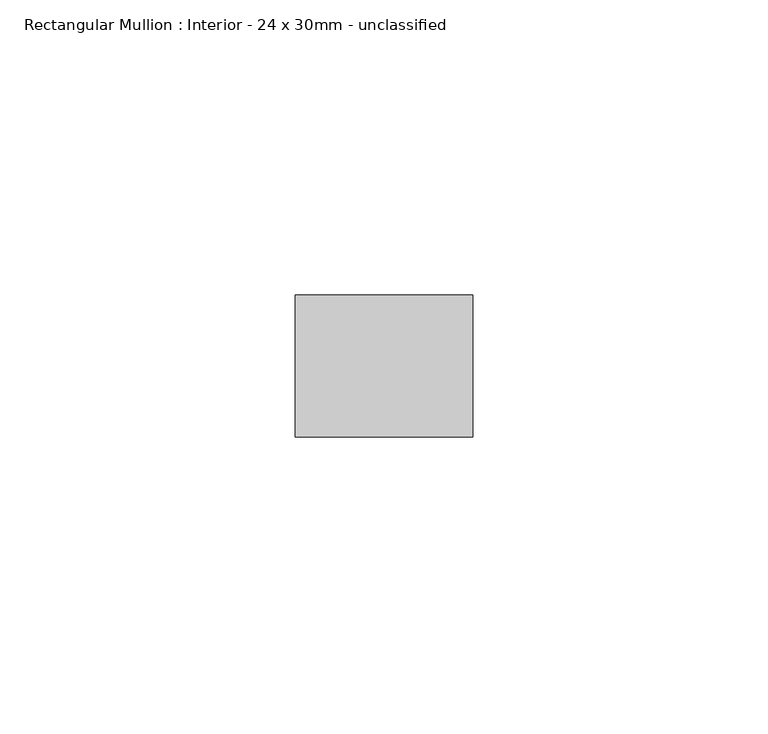
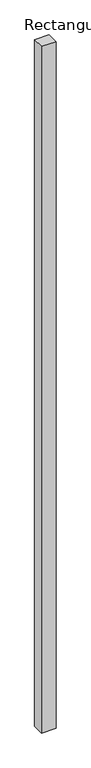
"""IFC4 building model written with IfcOpenShell, lengths in millimetres: member geometry, Rectangular Mullion : Interior - 24 x 30mm - unclassified."""

from ifc_helpers import new_model, si_unit, frame, origin, place, context, project, spatial, polyline, outline, extrude, source, transform, mapped, element, save


def rectangular_mullion_interior_24_x_30mm_unclassified_c60b9669(model_context):
    return source(origin(), model_context, "Body", "SweptSolid", [
        extrude(outline(polyline([(0.0, 12.0), (0.0, -12.0), (-30.0, -12.0), (-30.0, 12.0), (0.0, 12.0)])), frame((0.0, 0.0, -1500.0), z_axis=(0.0, 0.0, 1.0), x_axis=(1.0, 0.0, 0.0)), (0.0, 0.0, 1.0), 1500.0),
    ])


if __name__ == "__main__":
    model = new_model("IFC4")
    model_context = context("Model", 3, world=origin())
    ifc_project = project(units=[si_unit("LENGTHUNIT", "METRE", prefix="MILLI")], contexts=[model_context])
    site = spatial("IfcSite", under=ifc_project)
    building = spatial("IfcBuilding", under=site)
    placement = place(None, origin())
    rectangular_mullion_interior_24_x_30mm_unclassified_shape = rectangular_mullion_interior_24_x_30mm_unclassified_c60b9669(model_context)
    element("IfcMember", 1, ObjectType="Rectangular Mullion : Interior - 24 x 30mm - unclassified", at=placement, inside=building, context=model_context, shape_type="MappedRepresentation", body=[
        mapped(rectangular_mullion_interior_24_x_30mm_unclassified_shape, transform((0.0, 0.0, 0.0), x_axis=(1.0, 0.0, 0.0), y_axis=(0.0, 1.0, 0.0), z_axis=(0.0, 0.0, 1.0))),
    ])
    save(model, "model.ifc")
